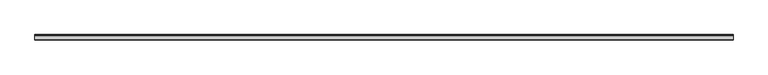
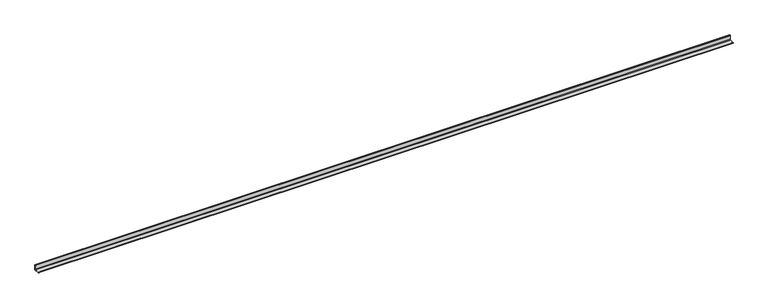
"""IFC4 building model written with IfcOpenShell, lengths in millimetres: beam geometry."""

from ifc_helpers import new_model, si_unit, point, frame, frame_2d, origin, place, context, project, spatial, polyline, circle_curve, trimmed, segment, composite_curve, outline, extrude, source, transform, mapped, element, save


def beam_c5c88561(model_context):
    return source(origin(), model_context, "Body", "SweptSolid", [
        extrude(outline(composite_curve([segment(polyline([(21.3, -21.3), (-53.7, -21.3), (-53.7, -18.3)]), True, "CONTINUOUS"), segment(trimmed(circle_curve(frame_2d((-48.7, -18.3)), 5.0), [point((-53.7, -18.3))], [point((-48.7, -13.3))], False, "CARTESIAN"), True, "CONTINUOUS"), segment(polyline([(-48.7, -13.3), (5.3, -13.3)]), True, "CONTINUOUS"), segment(trimmed(circle_curve(frame_2d((5.3, -5.3)), 8.0), [point((5.3, -13.3))], [point((13.3, -5.3))], True, "CARTESIAN"), True, "CONTINUOUS"), segment(polyline([(13.3, -5.3), (13.3, 48.7)]), True, "CONTINUOUS"), segment(trimmed(circle_curve(frame_2d((18.3, 48.7)), 5.0), [point((13.3, 48.7))], [point((18.3, 53.7))], False, "CARTESIAN"), True, "CONTINUOUS"), segment(polyline([(18.3, 53.7), (21.3, 53.7), (21.3, -21.3)]), True, "CONTINUOUS")], self_intersect=False)), frame((-4627.5, 0.0, 0.0), z_axis=(1.0, 0.0, 0.0), x_axis=(0.0, 1.0, 0.0)), (0.0, 0.0, 1.0), 9436.0),
    ])


if __name__ == "__main__":
    model = new_model("IFC4")
    model_context = context("Model", 3, world=origin())
    ifc_project = project(units=[si_unit("LENGTHUNIT", "METRE", prefix="MILLI")], contexts=[model_context])
    site = spatial("IfcSite", under=ifc_project)
    building = spatial("IfcBuilding", under=site)
    placement = place(None, origin())
    beam_shape = beam_c5c88561(model_context)
    element("IfcBeam", 1, at=placement, inside=building, context=model_context, shape_type="MappedRepresentation", body=[
        mapped(beam_shape, transform((0.0, 0.0, 0.0), x_axis=(1.0, 0.0, 0.0), y_axis=(0.0, 1.0, 0.0), z_axis=(0.0, 0.0, 1.0))),
    ])
    save(model, "model.ifc")
